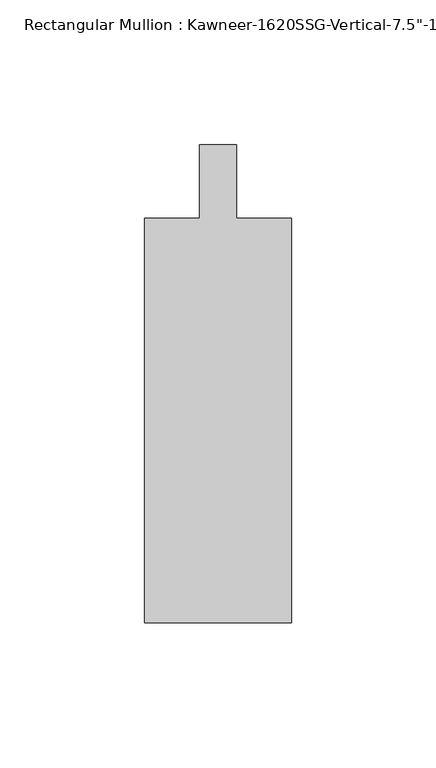
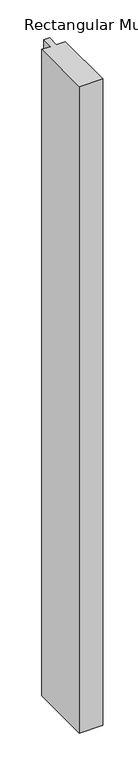
"""IFC4 building model written with IfcOpenShell, lengths in millimetres: member geometry."""

from ifc_helpers import new_model, si_unit, frame, origin, place, context, project, spatial, polyline, outline, extrude, source, transform, mapped, element, save


def member_3573947c(model_context):
    return source(origin(), model_context, "Body", "SweptSolid", [
        extrude(outline(polyline([(25.4, -161.925), (-25.4, -161.925), (-25.4, -22.225), (-6.35, -22.225), (-6.35, 3.175), (6.35, 3.175), (6.35, -22.225), (25.4, -22.225), (25.4, -161.925)])), frame((0.0, 0.0, -1473.2), z_axis=(0.0, 0.0, 1.0), x_axis=(1.0, 0.0, 0.0)), (0.0, 0.0, 1.0), 1473.2),
    ])


if __name__ == "__main__":
    model = new_model("IFC4")
    model_context = context("Model", 3, world=origin())
    ifc_project = project(units=[si_unit("LENGTHUNIT", "METRE", prefix="MILLI")], contexts=[model_context])
    site = spatial("IfcSite", under=ifc_project)
    building = spatial("IfcBuilding", under=site)
    placement = place(None, origin())
    member_shape = member_3573947c(model_context)
    element("IfcMember", 1, ObjectType="Rectangular Mullion : Kawneer-1620SSG-Vertical-7.5\"-1\"Infill-Standard-3/8\"Offset", at=placement, inside=building, context=model_context, shape_type="MappedRepresentation", body=[
        mapped(member_shape, transform((0.0, 0.0, 0.0), x_axis=(1.0, 0.0, 0.0), y_axis=(0.0, 1.0, 0.0), z_axis=(0.0, 0.0, 1.0))),
    ])
    save(model, "model.ifc")
